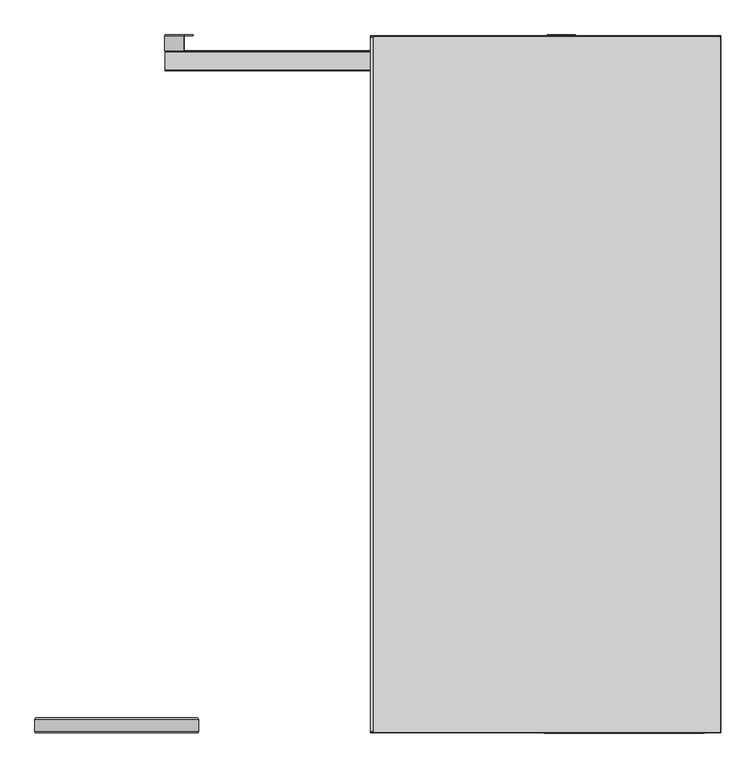
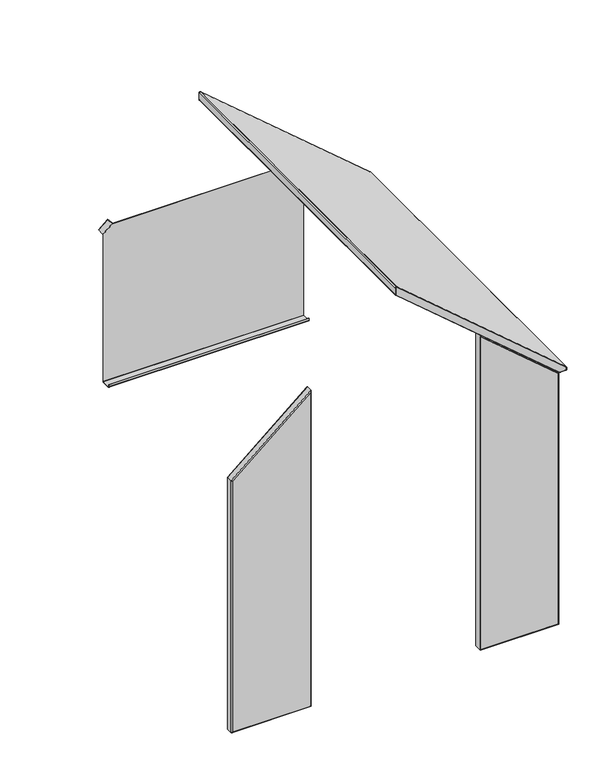
"""IFC4 building model written with IfcOpenShell, lengths in millimetres: furniture geometry."""

from ifc_helpers import new_model, si_unit, point, frame, frame_2d, origin, place, context, project, spatial, polyline, circle_curve, ellipse_curve, trimmed, segment, composite_curve, outline, extrude, source, transform, mapped, element, save
from ifc_brep_helpers import plane_surface, cylinder_surface, revolved_surface, advanced_brep


def furniture_c5998673(model_context):
    return source(origin(), model_context, "Body", "SolidModel", [
        advanced_brep(
        [(1831.5524425, -1833.64016, 1456.7960191), (1835.5211925, -1829.67141, 1458.6340644), (1835.5211925, -1829.67141, 3.96875), (1831.5524425, -1833.64016, 7.9375), (1831.5524425, -1866.18391, 1456.7960191), (1831.5524425, -1866.18391, 7.9375), (1835.5211925, -1870.15266, 1458.6340644), (1835.5211925, -1870.15266, 3.96875), (1405.0003718, -1829.67141, 3.96875), (1408.9691218, -1833.64016, 7.9375), (1408.9691218, -1866.18391, 7.9375), (1405.0003718, -1870.15266, 3.96875), (1405.0003718, -1829.67141, 1823.735859), (1408.9691218, -1833.64016, 1815.1664424), (1408.9691218, -1866.18391, 1815.1664424), (1405.0003718, -1870.15266, 1823.735859)],
        [
            (0, 1, ellipse_curve(frame((1835.5211925, -1833.64016, 1458.6340644), z_axis=(0.4202480388981601, 0.0, -0.9074092713887435), x_axis=(0.9074092713887433, 0.0, 0.42024803889816065)), 4.3737155, 3.96875)),
            (1, 2),
            (2, 3, ellipse_curve(frame((1835.5211925, -1833.64016, 3.96875), z_axis=(0.7071067811865481, 0.0, 0.7071067811865469), x_axis=(-0.7071067811865469, 0.0, 0.707106781186548)), 5.6126601, 3.96875)),
            (3, 0),
            (4, 0),
            (3, 5),
            (5, 4),
            (6, 4, ellipse_curve(frame((1835.5211925, -1866.18391, 1458.6340644), z_axis=(0.4202480388981601, 0.0, -0.9074092713887435), x_axis=(0.9074092713887433, 0.0, 0.42024803889816065)), 4.3737155, 3.96875)),
            (5, 7, ellipse_curve(frame((1835.5211925, -1866.18391, 3.96875), z_axis=(0.7071067811865481, 0.0, 0.7071067811865469), x_axis=(-0.7071067811865469, 0.0, 0.707106781186548)), 5.6126601, 3.96875)),
            (7, 6),
            (1, 6),
            (7, 2),
            (2, 8),
            (8, 9, ellipse_curve(frame((1405.0003718, -1833.64016, 3.96875), z_axis=(0.7071067811865464, 0.0, -0.7071067811865487), x_axis=(0.7071067811865488, 0.0, 0.7071067811865464)), 5.6126601, 3.96875)),
            (9, 3),
            (9, 10),
            (10, 5),
            (10, 11, ellipse_curve(frame((1405.0003718, -1866.18391, 3.96875), z_axis=(0.7071067811865464, 0.0, -0.7071067811865487), x_axis=(0.7071067811865488, 0.0, 0.7071067811865464)), 5.6126601, 3.96875)),
            (11, 7),
            (11, 8),
            (8, 12),
            (12, 13, ellipse_curve(frame((1405.0003718, -1833.64016, 1823.735859), z_axis=(-0.9074092713887442, 0.0, -0.42024803889815926), x_axis=(0.4202480388981593, 0.0, -0.9074092713887438)), 9.4438275, 3.96875)),
            (13, 9),
            (13, 14),
            (14, 10),
            (14, 15, ellipse_curve(frame((1405.0003718, -1866.18391, 1823.735859), z_axis=(-0.9074092713887442, 0.0, -0.42024803889815926), x_axis=(0.4202480388981593, 0.0, -0.9074092713887438)), 9.4438275, 3.96875)),
            (15, 11),
            (15, 12),
            (12, 1),
            (0, 13),
            (4, 14),
            (6, 15),
        ],
        [
            cylinder_surface(frame((1835.5211925, -1833.64016, 1458.6340644), z_axis=(0.0, 0.0, 1.0), x_axis=(1.0, 0.0, 0.0)), 3.96875),
            plane_surface(frame((1831.5524425, -1833.64016, 1456.7960191), z_axis=(-1.0, 0.0, 0.0), x_axis=(0.0, 0.0, -1.0))),
            cylinder_surface(frame((1835.5211925, -1866.18391, 1458.6340644), z_axis=(0.0, 0.0, 1.0), x_axis=(1.0, 0.0, 0.0)), 3.96875),
            plane_surface(frame((1835.5211925, -1870.15266, 1458.6340644), z_axis=(1.0, 0.0, 0.0), x_axis=(0.0, 0.0, -1.0))),
            cylinder_surface(frame((1835.5211925, -1833.64016, 3.96875), z_axis=(1.0, 0.0, 0.0), x_axis=(0.0, 0.0, -1.0)), 3.96875),
            plane_surface(frame((1831.5524425, -1833.64016, 7.9375), z_axis=(0.0, 0.0, 1.0), x_axis=(-1.0, 0.0, 0.0))),
            cylinder_surface(frame((1835.5211925, -1866.18391, 3.96875), z_axis=(1.0, 0.0, 0.0), x_axis=(0.0, 0.0, -1.0)), 3.96875),
            plane_surface(frame((1835.5211925, -1870.15266, 3.96875), z_axis=(0.0, 0.0, -1.0), x_axis=(-1.0, 0.0, 0.0))),
            cylinder_surface(frame((1405.0003718, -1833.64016, 3.96875), z_axis=(0.0, 0.0, -1.0), x_axis=(-1.0, 0.0, 0.0)), 3.96875),
            plane_surface(frame((1408.9691218, -1833.64016, 7.9375), z_axis=(1.0, 0.0, 0.0), x_axis=(0.0, 0.0, 1.0))),
            cylinder_surface(frame((1405.0003718, -1866.18391, 3.96875), z_axis=(0.0, 0.0, -1.0), x_axis=(-1.0, 0.0, 0.0)), 3.96875),
            plane_surface(frame((1405.0003718, -1870.15266, 3.96875), z_axis=(-1.0, 0.0, 0.0), x_axis=(0.0, 0.0, 1.0))),
            cylinder_surface(frame((1405.0003718, -1833.64016, 1823.735859), z_axis=(-0.7626739335582567, 0.0, 0.6467831716044999), x_axis=(0.6467831716044999, 0.0, 0.7626739335582567)), 3.96875),
            plane_surface(frame((1408.9691218, -1833.64016, 1815.1664424), z_axis=(-0.6467831716044992, 0.0, -0.7626739335582572), x_axis=(0.7626739335582572, 0.0, -0.6467831716044992))),
            cylinder_surface(frame((1405.0003718, -1866.18391, 1823.735859), z_axis=(-0.7626739335582567, 0.0, 0.6467831716044999), x_axis=(0.6467831716044999, 0.0, 0.7626739335582567)), 3.96875),
            plane_surface(frame((1405.0003718, -1870.15266, 1823.735859), z_axis=(0.6467831716044995, 0.0, 0.7626739335582571), x_axis=(0.7626739335582571, 0.0, -0.6467831716044995))),
        ],
        [
            (0, [[1, 2, 3, 4]]),
            (1, [[5, -4, 6, 7]]),
            (2, [[8, -7, 9, 10]]),
            (3, [[11, -10, 12, -2]]),
            (4, [[-3, 13, 14, 15]]),
            (5, [[-6, -15, 16, 17]]),
            (6, [[-9, -17, 18, 19]]),
            (7, [[-12, -19, 20, -13]]),
            (8, [[-14, 21, 22, 23]]),
            (9, [[-16, -23, 24, 25]]),
            (10, [[-18, -25, 26, 27]]),
            (11, [[-20, -27, 28, -21]]),
            (12, [[-22, 29, -1, 30]]),
            (13, [[-24, -30, -5, 31]]),
            (14, [[-26, -31, -8, 32]]),
            (15, [[-28, -32, -11, -29]]),
        ],
    ),
        extrude(outline(polyline([(3.96875, 1405.0003718), (3.96875, 1835.5211925), (1458.6340644, 1835.5211925), (1823.735859, 1405.0003718), (3.96875, 1405.0003718)])), frame((0.0, -1870.15266, 0.0), z_axis=(0.0, 1.0, 0.0), x_axis=(0.0, 0.0, 1.0)), (0.0, 0.0, 1.0), 40.48125),
        advanced_brep(
        [(40.5104329, -1833.64016, 1460.4721098), (44.4791829, -1829.67141, 1458.6340644), (44.4791829, -1829.67141, 3.96875), (40.5104329, -1833.64016, 0.0), (40.5104329, -1866.18391, 0.0), (40.5104329, -1866.18391, 1460.4721098), (44.4791829, -1870.15266, 3.96875), (44.4791829, -1870.15266, 1458.6340644), (475.0000036, -1829.67141, 3.96875), (478.9687536, -1833.64016, 0.0), (478.9687536, -1866.18391, 0.0), (475.0000036, -1870.15266, 3.96875), (475.0000036, -1829.67141, 1823.735859), (478.9687536, -1833.64016, 1832.3052757), (478.9687536, -1866.18391, 1832.3052757), (475.0000036, -1870.15266, 1823.735859)],
        [
            (0, 1, ellipse_curve(frame((44.4791829, -1833.64016, 1458.6340644), z_axis=(-0.42024803889816337, 0.0, -0.907409271388742), x_axis=(-0.907409271388742, 0.0, 0.42024803889816376)), 4.3737155, 3.96875)),
            (1, 2),
            (2, 3, ellipse_curve(frame((44.4791829, -1833.64016, 3.96875), z_axis=(-0.7071067811865452, 0.0, 0.7071067811865497), x_axis=(0.7071067811865496, 0.0, 0.7071067811865456)), 5.6126601, 3.96875)),
            (3, 0),
            (3, 4),
            (4, 5),
            (5, 0),
            (4, 6, ellipse_curve(frame((44.4791829, -1866.18391, 3.96875), z_axis=(-0.7071067811865452, 0.0, 0.7071067811865497), x_axis=(0.7071067811865496, 0.0, 0.7071067811865456)), 5.6126601, 3.96875)),
            (6, 7),
            (7, 5, ellipse_curve(frame((44.4791829, -1866.18391, 1458.6340644), z_axis=(-0.42024803889816337, 0.0, -0.907409271388742), x_axis=(-0.907409271388742, 0.0, 0.42024803889816376)), 4.3737155, 3.96875)),
            (2, 8),
            (8, 9, ellipse_curve(frame((475.0000036, -1833.64016, 3.96875), z_axis=(-0.7071067811865491, 0.0, -0.7071067811865458), x_axis=(-0.707106781186546, 0.0, 0.7071067811865489)), 5.6126601, 3.96875)),
            (9, 3),
            (9, 10),
            (10, 4),
            (10, 11, ellipse_curve(frame((475.0000036, -1866.18391, 3.96875), z_axis=(-0.7071067811865491, 0.0, -0.7071067811865458), x_axis=(-0.707106781186546, 0.0, 0.7071067811865489)), 5.6126601, 3.96875)),
            (11, 6),
            (8, 12),
            (12, 13, ellipse_curve(frame((475.0000036, -1833.64016, 1823.735859), z_axis=(0.9074092713887425, 0.0, -0.4202480388981626), x_axis=(-0.42024803889816265, 0.0, -0.9074092713887425)), 9.4438275, 3.96875)),
            (13, 9),
            (13, 14),
            (14, 10),
            (14, 15, ellipse_curve(frame((475.0000036, -1866.18391, 1823.735859), z_axis=(0.9074092713887425, 0.0, -0.4202480388981626), x_axis=(-0.42024803889816265, 0.0, -0.9074092713887425)), 9.4438275, 3.96875)),
            (15, 11),
            (0, 13),
            (12, 1),
            (5, 14),
            (7, 15),
        ],
        [
            cylinder_surface(frame((44.4791829, -1833.64016, 1458.6340644), z_axis=(0.0, 0.0, 1.0), x_axis=(1.0, 0.0, 0.0)), 3.96875),
            plane_surface(frame((40.5104329, -1833.64016, 1460.4721098), z_axis=(-1.0, 0.0, 0.0), x_axis=(0.0, 0.0, -1.0))),
            cylinder_surface(frame((44.4791829, -1866.18391, 1458.6340644), z_axis=(0.0, 0.0, 1.0), x_axis=(1.0, 0.0, 0.0)), 3.96875),
            cylinder_surface(frame((44.4791829, -1833.64016, 3.96875), z_axis=(-1.0, 0.0, 0.0), x_axis=(0.0, 0.0, 1.0)), 3.96875),
            plane_surface(frame((40.5104329, -1833.64016, 0.0), z_axis=(0.0, 0.0, -1.0), x_axis=(1.0, 0.0, 0.0))),
            cylinder_surface(frame((44.4791829, -1866.18391, 3.96875), z_axis=(-1.0, 0.0, 0.0), x_axis=(0.0, 0.0, 1.0)), 3.96875),
            cylinder_surface(frame((475.0000036, -1833.64016, 3.96875), z_axis=(0.0, 0.0, -1.0), x_axis=(-1.0, 0.0, 0.0)), 3.96875),
            plane_surface(frame((478.9687536, -1833.64016, 0.0), z_axis=(1.0, 0.0, 0.0), x_axis=(0.0, 0.0, 1.0))),
            cylinder_surface(frame((475.0000036, -1866.18391, 3.96875), z_axis=(0.0, 0.0, -1.0), x_axis=(-1.0, 0.0, 0.0)), 3.96875),
            cylinder_surface(frame((475.0000036, -1833.64016, 1823.735859), z_axis=(0.762673933558259, 0.0, 0.646783171604497), x_axis=(0.646783171604497, 0.0, -0.762673933558259)), 3.96875),
            plane_surface(frame((478.9687536, -1833.64016, 1832.3052757), z_axis=(-0.646783171604497, 0.0, 0.7626739335582591), x_axis=(-0.7626739335582591, 0.0, -0.646783171604497))),
            cylinder_surface(frame((475.0000036, -1866.18391, 1823.735859), z_axis=(0.762673933558259, 0.0, 0.646783171604497), x_axis=(0.646783171604497, 0.0, -0.762673933558259)), 3.96875),
            plane_surface(frame((475.0000036, -1870.15266, 1819.151025), z_axis=(0.0, -1.0, 0.0), x_axis=(0.0, 0.0, 1.0))),
            plane_surface(frame((475.0000036, -1829.67141, 1819.151025), z_axis=(0.0, 1.0, 0.0), x_axis=(0.0, 0.0, -1.0))),
        ],
        [
            (0, [[1, 2, 3, 4]]),
            (1, [[-4, 5, 6, 7]]),
            (2, [[-6, 8, 9, 10]]),
            (3, [[-3, 11, 12, 13]]),
            (4, [[-5, -13, 14, 15]]),
            (5, [[-8, -15, 16, 17]]),
            (6, [[-12, 18, 19, 20]]),
            (7, [[-14, -20, 21, 22]]),
            (8, [[-16, -22, 23, 24]]),
            (9, [[-1, 25, -19, 26]]),
            (10, [[-7, 27, -21, -25]]),
            (11, [[-10, 28, -23, -27]]),
            (12, [[-9, -17, -24, -28]]),
            (13, [[-2, -26, -18, -11]]),
        ],
    ),
        extrude(outline(composite_curve([segment(polyline([(-36.4707599, 0.0), (3.678289, 0.0), (3.678289, -1.4997449), (-37.4999996, -1.4997449), (-37.4999996, -40.0002693), (-38.9999996, -40.0002693), (-38.9999996, -2.5292398)]), True, "CONTINUOUS"), segment(trimmed(circle_curve(frame_2d((-36.4707599, -2.5292398)), 2.5292397), [point((-38.9999996, -2.5292398))], [point((-36.4707599, 0.0))], False, "CARTESIAN"), True, "CONTINUOUS")], self_intersect=False)), frame((1490.9670326, -38.9999996, 1663.236993), z_axis=(-0.7626676388941575, 0.0, 0.6467905940747832), x_axis=(0.0, -1.0, 0.0)), (0.0, 0.0, 1.0), 65.5591678),
        advanced_brep(
        [(1490.0000404, -95.6782875, 821.5000019), (1490.0000404, -95.6782875, 809.0011499), (1490.0000404, -93.177183, 806.5000454), (1490.0000404, -45.1482143, 806.5000454), (1490.0000404, -42.6782886, 808.9699711), (1490.0000404, -42.6782886, 1662.0972421), (1490.0000404, -44.178285, 1662.0972421), (1490.0000404, -44.178285, 808.9990848), (1490.0000404, -45.1791015, 808.0000265), (1490.0000404, -93.2107923, 808.0000265), (1490.0000404, -94.1782792, 808.9675133), (1490.0000404, -94.1782792, 821.5000019), (390.000335, -95.6782875, 821.5000019), (390.000335, -94.1782792, 821.5000019), (390.000335, -94.1782792, 808.9675133), (390.000335, -93.2107923, 808.0000265), (390.000335, -45.1791015, 808.0000265), (390.000335, -44.178285, 808.9990848), (390.000335, -44.178285, 1662.0972421), (390.000335, -42.6782886, 1662.0972421), (390.000335, -42.6782886, 808.9699711), (390.000335, -45.1482143, 806.5000454), (390.000335, -93.177183, 806.5000454), (390.000335, -95.6782875, 809.0011499), (442.8367114, -42.6782886, 1706.4322261), (1437.163664, -42.6782886, 1706.4322261), (1437.163664, -44.178285, 1706.4322261), (442.8367114, -44.178285, 1706.4322261)],
        [
            (0, 1),
            (1, 2, circle_curve(frame((1490.0000404, -93.177183, 809.0011499), z_axis=(1.0, 0.0, 0.0), x_axis=(0.0, -1.0, 0.0)), 2.5011045)),
            (2, 3),
            (3, 4, circle_curve(frame((1490.0000404, -45.1482143, 808.9699711), z_axis=(1.0, 0.0, 0.0), x_axis=(0.0, -1.0, 0.0)), 2.4699257)),
            (4, 5),
            (5, 6),
            (6, 7),
            (7, 8, circle_curve(frame((1490.0000404, -45.1791015, 809.0008445), z_axis=(-1.0, 0.0, 0.0), x_axis=(0.0, -1.0, 0.0)), 1.000818)),
            (8, 9),
            (9, 10, circle_curve(frame((1490.0000404, -93.2107923, 808.9675133), z_axis=(-1.0, 0.0, 0.0), x_axis=(0.0, -1.0, 0.0)), 0.9674868)),
            (10, 11),
            (11, 0),
            (12, 13),
            (13, 14),
            (14, 15, circle_curve(frame((390.000335, -93.2107923, 808.9675133), z_axis=(1.0, 0.0, 0.0), x_axis=(0.0, -1.0, 0.0)), 0.9674868)),
            (15, 16),
            (16, 17, circle_curve(frame((390.000335, -45.1791015, 809.0008445), z_axis=(1.0, 0.0, 0.0), x_axis=(0.0, -1.0, 0.0)), 1.000818)),
            (17, 18),
            (18, 19),
            (19, 20),
            (20, 21, circle_curve(frame((390.000335, -45.1482143, 808.9699711), z_axis=(-1.0, 0.0, 0.0), x_axis=(0.0, -1.0, 0.0)), 2.4699257)),
            (21, 22),
            (22, 23, circle_curve(frame((390.000335, -93.177183, 809.0011499), z_axis=(-1.0, 0.0, 0.0), x_axis=(0.0, -1.0, 0.0)), 2.5011045)),
            (23, 12),
            (0, 12),
            (23, 1),
            (22, 2),
            (21, 3),
            (20, 4),
            (19, 24),
            (24, 25),
            (25, 5),
            (6, 26),
            (26, 27),
            (27, 18),
            (17, 7),
            (16, 8),
            (15, 9),
            (14, 10),
            (13, 11),
            (25, 26),
            (24, 27),
        ],
        [
            plane_surface(frame((1490.0000404, -95.6782875, 821.5000019), z_axis=(1.0, 0.0, 0.0), x_axis=(0.0, 0.0, -1.0))),
            plane_surface(frame((390.000335, -95.6782875, 821.5000019), z_axis=(-1.0, 0.0, 0.0), x_axis=(0.0, 0.0, 1.0))),
            plane_surface(frame((1490.0000404, -95.6782875, 821.5000019), z_axis=(0.0, -1.0, 0.0), x_axis=(-1.0, 0.0, 0.0))),
            cylinder_surface(frame((390.000335, -93.177183, 809.0011499), z_axis=(1.0, 0.0, 0.0), x_axis=(0.0, -1.0, 0.0)), 2.5011045),
            plane_surface(frame((1490.0000404, -93.177183, 806.5000454), z_axis=(0.0, 0.0, -1.0), x_axis=(-1.0, 0.0, 0.0))),
            cylinder_surface(frame((390.000335, -45.1482143, 808.9699711), z_axis=(1.0, 0.0, 0.0), x_axis=(0.0, -1.0, 0.0)), 2.4699257),
            plane_surface(frame((1490.0000404, -42.6782886, 808.9699711), z_axis=(0.0, 1.0, 0.0), x_axis=(-1.0, 0.0, 0.0))),
            plane_surface(frame((1490.0000404, -44.178285, 1582.3692085), z_axis=(0.0, -1.0, 0.0), x_axis=(-1.0, 0.0, 0.0))),
            revolved_surface(polyline([(390.000335, -46.179919500000004, 809.0008445), (1490.0000404, -46.179919500000004, 809.0008445)]), (390.000335, -45.1791015, 809.0008445), (-1.0, 0.0, 0.0)),
            plane_surface(frame((1490.0000404, -45.1791015, 808.0000265), z_axis=(0.0, 0.0, 1.0), x_axis=(-1.0, 0.0, 0.0))),
            revolved_surface(polyline([(390.000335, -94.1782791, 808.9675133), (1490.0000404, -94.1782791, 808.9675133)]), (390.000335, -93.2107923, 808.9675133), (-1.0, 0.0, 0.0)),
            plane_surface(frame((1490.0000404, -94.1782792, 808.9675133), z_axis=(0.0, 1.0, 0.0), x_axis=(-1.0, 0.0, 0.0))),
            plane_surface(frame((1490.0000404, -94.1782792, 821.5000019), z_axis=(0.0, 0.0, 1.0), x_axis=(-1.0, 0.0, 0.0))),
            plane_surface(frame((1490.0000404, -44.178285, 1662.0972421), z_axis=(0.6427876096865427, 0.0, 0.7660444431189752), x_axis=(0.0, 1.0, 0.0))),
            plane_surface(frame((1437.163664, -44.178285, 1706.4322261), z_axis=(0.0, 0.0, 1.0), x_axis=(0.0, 1.0, 0.0))),
            plane_surface(frame((442.8367114, -44.178285, 1706.4322261), z_axis=(-0.642787609686538, 0.0, 0.7660444431189791), x_axis=(0.0, 1.0, 0.0))),
        ],
        [
            (0, [[1, 2, 3, 4, 5, 6, 7, 8, 9, 10, 11, 12]]),
            (1, [[13, 14, 15, 16, 17, 18, 19, 20, 21, 22, 23, 24]]),
            (2, [[-1, 25, -24, 26]]),
            (3, [[-2, -26, -23, 27]]),
            (4, [[-3, -27, -22, 28]]),
            (5, [[-4, -28, -21, 29]]),
            (6, [[-5, -29, -20, 30, 31, 32]]),
            (7, [[-7, 33, 34, 35, -18, 36]]),
            (8, [[-8, -36, -17, 37]]),
            (9, [[-9, -37, -16, 38]]),
            (10, [[-10, -38, -15, 39]]),
            (11, [[-11, -39, -14, 40]]),
            (12, [[-12, -40, -13, -25]]),
            (13, [[-33, -6, -32, 41]]),
            (14, [[-34, -41, -31, 42]]),
            (15, [[-35, -42, -30, -19]]),
        ],
    ),
        extrude(outline(composite_curve([segment(trimmed(circle_curve(frame_2d((-1e-07, -2.5292397)), 2.5292397), [point((-0.8879249, -4.8974971))], [point((-2.3682574, -1.6413149))], False, "CARTESIAN"), True, "CONTINUOUS"), segment(polyline([(-2.3682574, -1.6413149), (10.7864699, 33.4447394), (12.1909971, 32.9181435), (-1.3251487, -3.1318798), (37.2322031, -17.5880921), (36.7056967, -18.9923805), (-0.8879249, -4.8974971)]), True, "CONTINUOUS")], self_intersect=False)), frame((392.2009979, -1.6413149, 1659.5018304), z_axis=(0.7626676388941576, 0.0, 0.6467905940747832), x_axis=(0.22706485489941639, -0.9363514881670969, -0.26774510691471115)), (0.0, 0.0, 1.0), 65.5591678),
        advanced_brep(
        [(1876.9546715, -2.2152498, 1478.4500314), (1877.9745516, -2.2152498, 1476.2476814), (1877.9745516, -2.2152498, 1463.9687321), (1876.0316254, -2.2152498, 1462.0258058), (1842.2267924, -2.2152498, 1462.0258058), (1839.6136683, -2.2152498, 1462.9847503), (943.2808232, -2.2152498, 2223.2240894), (942.026163, -2.2152498, 2225.9334278), (942.026163, -2.2152498, 2264.8850275), (947.0138488, -2.2152498, 2267.1947612), (1880.0003754, -4.2410736, 1476.2476814), (1878.2650479, -4.2410736, 1479.994983), (1878.2650479, -6.1839998, 1479.994983), (1880.0003754, -6.1839998, 1476.2476814), (1880.0003754, -1866.18391, 1476.2476814), (1880.0003754, -1868.1268362, 1476.2476814), (1880.0003754, -1868.1268362, 1463.9687321), (1880.0003754, -1866.18391, 1463.9687321), (1880.0003754, -6.1839998, 1463.9687321), (1880.0003754, -4.2410736, 1463.9687321), (1876.0316254, -6.1839998, 1459.9999821), (1876.0316254, -4.2410736, 1459.9999821), (1876.0316254, -1866.18391, 1459.9999821), (1876.0316254, -1868.1268362, 1459.9999821), (1842.2267924, -1868.1268362, 1459.9999821), (1842.2267924, -1866.18391, 1459.9999821), (1842.2267924, -6.1839998, 1459.9999821), (1842.2267924, -4.2410736, 1459.9999821), (1838.3032921, -6.1839998, 1461.4397984), (1838.3032921, -4.2410736, 1461.4397984), (1838.3032921, -1866.18391, 1461.4397984), (1838.3032921, -1868.1268362, 1461.4397984), (941.970447, -1868.1268362, 2221.6791375), (941.970447, -1866.18391, 2221.6791375), (941.970447, -6.1839998, 2221.6791375), (941.970447, -4.2410736, 2221.6791375), (940.0003392, -6.1839998, 2225.9334278), (940.0003392, -4.2410736, 2225.9334278), (940.0003392, -1866.18391, 2225.9334278), (940.0003392, -1868.1268362, 2225.9334278), (940.0003392, -1868.1268362, 2264.8850275), (940.0003392, -1866.18391, 2264.8850275), (940.0003392, -6.1839998, 2264.8850275), (940.0003392, -4.2410736, 2264.8850275), (948.3242252, -6.1839998, 2268.7397128), (948.3242252, -4.2410736, 2268.7397128), (948.3242252, -1866.18391, 2268.7397128), (948.3242252, -1868.1268362, 2268.7397128), (1878.2650479, -1868.1268362, 1479.994983), (1878.2650479, -1866.18391, 1479.994983), (1876.9546715, -1870.15266, 1478.4500314), (1877.9745516, -1870.15266, 1476.2476814), (1877.9745516, -1870.15266, 1463.9687321), (1876.0316254, -1870.15266, 1462.0258058), (1842.2267924, -1870.15266, 1462.0258058), (1839.6136683, -1870.15266, 1462.9847503), (943.2808232, -1870.15266, 2223.2240894), (942.026163, -1870.15266, 2225.9334278), (942.026163, -1870.15266, 2264.8850275), (947.0138488, -1870.15266, 2267.1947612)],
        [
            (0, 1, circle_curve(frame((1875.0867119, -2.2152498, 1476.2476814), z_axis=(0.0, 1.0, 0.0), x_axis=(0.6468363156287517, 0.0, 0.7626288617563736)), 2.8878397)),
            (1, 2),
            (2, 3, circle_curve(frame((1876.0316254, -2.2152498, 1463.9687321), z_axis=(0.0, 1.0, 0.0), x_axis=(1.0, 0.0, 0.0)), 1.9429262)),
            (3, 4),
            (4, 5, circle_curve(frame((1842.2267924, -2.2152498, 1466.0656603), z_axis=(0.0, 1.0, 0.0), x_axis=(0.0, 0.0, -1.0)), 4.0398545)),
            (5, 6),
            (6, 7, circle_curve(frame((945.5787928, -2.2152498, 2225.9334278), z_axis=(0.0, 1.0, 0.0), x_axis=(-0.6468362032030742, 0.0, -0.762628957112062)), 3.5526298)),
            (7, 8),
            (8, 9, circle_curve(frame((945.05481, -2.2152498, 2264.8850275), z_axis=(0.0, 1.0, 0.0), x_axis=(-1.0, 0.0, 0.0)), 3.028647)),
            (9, 0),
            (10, 11, circle_curve(frame((1875.0867119, -4.2410736, 1476.2476814), z_axis=(0.0, -1.0, 0.0), x_axis=(0.6468363156287517, 0.0, 0.7626288617563736)), 4.9136635)),
            (11, 12),
            (12, 13, circle_curve(frame((1875.0867119, -6.1839998, 1476.2476814), z_axis=(0.0, 1.0, 0.0), x_axis=(0.6468363156287517, 0.0, 0.7626288617563736)), 4.9136635)),
            (13, 10),
            (10, 1, circle_curve(frame((1877.9745516, -4.2410736, 1476.2476814), z_axis=(0.0, 0.0, 1.0), x_axis=(-1.0, 0.0, 0.0)), 2.0258238)),
            (0, 11, circle_curve(frame((1876.9546715, -4.2410736, 1478.4500314), z_axis=(0.7626288617563735, 0.0, -0.6468363156287518), x_axis=(-0.6468363156287518, 0.0, -0.7626288617563735)), 2.0258238)),
            (13, 14),
            (14, 15),
            (15, 16),
            (16, 17),
            (17, 18),
            (18, 19),
            (19, 10),
            (19, 2, circle_curve(frame((1877.9745516, -4.2410736, 1463.9687321), z_axis=(0.0, 0.0, 1.0), x_axis=(-1.0, 0.0, 0.0)), 2.0258238)),
            (18, 20, circle_curve(frame((1876.0316254, -6.1839998, 1463.9687321), z_axis=(0.0, 1.0, 0.0), x_axis=(1.0, 0.0, 0.0)), 3.96875)),
            (20, 21),
            (21, 19, circle_curve(frame((1876.0316254, -4.2410736, 1463.9687321), z_axis=(0.0, -1.0, 0.0), x_axis=(1.0, 0.0, 0.0)), 3.96875)),
            (21, 3, circle_curve(frame((1876.0316254, -4.2410736, 1462.0258058), z_axis=(1.0, 0.0, 0.0), x_axis=(0.0, 0.0, 1.0)), 2.0258238)),
            (20, 22),
            (22, 23),
            (23, 24),
            (24, 25),
            (25, 26),
            (26, 27),
            (27, 21),
            (27, 4, circle_curve(frame((1842.2267924, -4.2410736, 1462.0258058), z_axis=(1.0, 0.0, 0.0), x_axis=(0.0, 0.0, 1.0)), 2.0258238)),
            (26, 28, circle_curve(frame((1842.2267924, -6.1839998, 1466.0656603), z_axis=(0.0, 1.0, 0.0), x_axis=(0.0, 0.0, -1.0)), 6.0656783)),
            (28, 29),
            (29, 27, circle_curve(frame((1842.2267924, -4.2410736, 1466.0656603), z_axis=(0.0, -1.0, 0.0), x_axis=(0.0, 0.0, -1.0)), 6.0656783)),
            (29, 5, circle_curve(frame((1839.6136683, -4.2410736, 1462.9847503), z_axis=(0.7626289571120105, 0.0, -0.6468362032031348), x_axis=(0.6468362032031348, 0.0, 0.7626289571120105)), 2.0258238)),
            (28, 30),
            (30, 31),
            (31, 32),
            (32, 33),
            (33, 34),
            (34, 35),
            (35, 29),
            (35, 6, circle_curve(frame((943.2808232, -4.2410736, 2223.2240894), z_axis=(0.7626289571120237, 0.0, -0.6468362032031195), x_axis=(0.6468362032031195, 0.0, 0.7626289571120237)), 2.0258238)),
            (34, 36, circle_curve(frame((945.5787928, -6.1839998, 2225.9334278), z_axis=(0.0, 1.0, 0.0), x_axis=(-0.6468362032030742, 0.0, -0.762628957112062)), 5.5784536)),
            (36, 37),
            (37, 35, circle_curve(frame((945.5787928, -4.2410736, 2225.9334278), z_axis=(0.0, -1.0, 0.0), x_axis=(-0.6468362032030742, 0.0, -0.762628957112062)), 5.5784536)),
            (37, 7, circle_curve(frame((942.026163, -4.2410736, 2225.9334278), z_axis=(0.0, 0.0, -1.0), x_axis=(1.0, 0.0, 0.0)), 2.0258238)),
            (36, 38),
            (38, 39),
            (39, 40),
            (40, 41),
            (41, 42),
            (42, 43),
            (43, 37),
            (43, 8, circle_curve(frame((942.026163, -4.2410736, 2264.8850275), z_axis=(0.0, 0.0, -1.0), x_axis=(1.0, 0.0, 0.0)), 2.0258238)),
            (42, 44, circle_curve(frame((945.05481, -6.1839998, 2264.8850275), z_axis=(0.0, 1.0, 0.0), x_axis=(-1.0, 0.0, 0.0)), 5.0544708)),
            (44, 45),
            (45, 43, circle_curve(frame((945.05481, -4.2410736, 2264.8850275), z_axis=(0.0, -1.0, 0.0), x_axis=(-1.0, 0.0, 0.0)), 5.0544708)),
            (45, 9, circle_curve(frame((947.0138488, -4.2410736, 2267.1947612), z_axis=(-0.762628861756393, 0.0, 0.6468363156287287), x_axis=(-0.6468363156287287, 0.0, -0.762628861756393)), 2.0258238)),
            (11, 45),
            (44, 46),
            (46, 47),
            (47, 48),
            (48, 49),
            (49, 12),
            (17, 22, circle_curve(frame((1876.0316254, -1866.18391, 1463.9687321), z_axis=(0.0, 1.0, 0.0), x_axis=(-1.0, 0.0, 0.0)), 3.96875)),
            (25, 30, circle_curve(frame((1842.2267924, -1866.18391, 1466.0656603), z_axis=(0.0, 1.0, 0.0), x_axis=(-1.0, 0.0, 0.0)), 6.0656783)),
            (33, 38, circle_curve(frame((945.5787928, -1866.18391, 2225.9334278), z_axis=(0.0, 1.0, 0.0), x_axis=(-1.0, 0.0, 0.0)), 5.5784536)),
            (41, 46, circle_curve(frame((945.05481, -1866.18391, 2264.8850275), z_axis=(0.0, 1.0, 0.0), x_axis=(-1.0, 0.0, 0.0)), 5.0544708)),
            (49, 14, circle_curve(frame((1875.0867119, -1866.18391, 1476.2476814), z_axis=(0.0, 1.0, 0.0), x_axis=(-1.0, 0.0, 0.0)), 4.9136635)),
            (48, 15, circle_curve(frame((1875.0867119, -1868.1268362, 1476.2476814), z_axis=(0.0, 1.0, 0.0), x_axis=(0.6468363156287517, 0.0, 0.7626288617563736)), 4.9136635)),
            (48, 50, circle_curve(frame((1876.9546715, -1868.1268362, 1478.4500314), z_axis=(0.7626288617563735, 0.0, -0.6468363156287518), x_axis=(-0.6468363156287518, 0.0, -0.7626288617563735)), 2.0258238)),
            (50, 51, circle_curve(frame((1875.0867119, -1870.15266, 1476.2476814), z_axis=(0.0, 1.0, 0.0), x_axis=(0.6468363156287517, 0.0, 0.7626288617563736)), 2.8878397)),
            (51, 15, circle_curve(frame((1877.9745516, -1868.1268362, 1476.2476814), z_axis=(0.0, 0.0, 1.0), x_axis=(-1.0, 0.0, 0.0)), 2.0258238)),
            (51, 52),
            (52, 16, circle_curve(frame((1877.9745516, -1868.1268362, 1463.9687321), z_axis=(0.0, 0.0, 1.0), x_axis=(-1.0, 0.0, 0.0)), 2.0258238)),
            (16, 23, circle_curve(frame((1876.0316254, -1868.1268362, 1463.9687321), z_axis=(0.0, 1.0, 0.0), x_axis=(1.0, 0.0, 0.0)), 3.96875)),
            (52, 53, circle_curve(frame((1876.0316254, -1870.15266, 1463.9687321), z_axis=(0.0, 1.0, 0.0), x_axis=(1.0, 0.0, 0.0)), 1.9429262)),
            (53, 23, circle_curve(frame((1876.0316254, -1868.1268362, 1462.0258058), z_axis=(1.0, 0.0, 0.0), x_axis=(0.0, 0.0, 1.0)), 2.0258238)),
            (53, 54),
            (54, 24, circle_curve(frame((1842.2267924, -1868.1268362, 1462.0258058), z_axis=(1.0, 0.0, 0.0), x_axis=(0.0, 0.0, 1.0)), 2.0258238)),
            (24, 31, circle_curve(frame((1842.2267924, -1868.1268362, 1466.0656603), z_axis=(0.0, 1.0, 0.0), x_axis=(0.0, 0.0, -1.0)), 6.0656783)),
            (54, 55, circle_curve(frame((1842.2267924, -1870.15266, 1466.0656603), z_axis=(0.0, 1.0, 0.0), x_axis=(0.0, 0.0, -1.0)), 4.0398545)),
            (55, 31, circle_curve(frame((1839.6136683, -1868.1268362, 1462.9847503), z_axis=(0.7626289571119792, 0.0, -0.6468362032031717), x_axis=(0.6468362032031717, 0.0, 0.7626289571119792)), 2.0258238)),
            (55, 56),
            (56, 32, circle_curve(frame((943.2808232, -1868.1268362, 2223.2240894), z_axis=(0.7626289571120237, 0.0, -0.6468362032031195), x_axis=(0.6468362032031195, 0.0, 0.7626289571120237)), 2.0258238)),
            (32, 39, circle_curve(frame((945.5787928, -1868.1268362, 2225.9334278), z_axis=(0.0, 1.0, 0.0), x_axis=(-0.6468362032030742, 0.0, -0.762628957112062)), 5.5784536)),
            (56, 57, circle_curve(frame((945.5787928, -1870.15266, 2225.9334278), z_axis=(0.0, 1.0, 0.0), x_axis=(-0.6468362032030742, 0.0, -0.762628957112062)), 3.5526298)),
            (57, 39, circle_curve(frame((942.026163, -1868.1268362, 2225.9334278), z_axis=(0.0, 0.0, -1.0), x_axis=(1.0, 0.0, 0.0)), 2.0258238)),
            (57, 58),
            (58, 40, circle_curve(frame((942.026163, -1868.1268362, 2264.8850275), z_axis=(0.0, 0.0, -1.0), x_axis=(1.0, 0.0, 0.0)), 2.0258238)),
            (40, 47, circle_curve(frame((945.05481, -1868.1268362, 2264.8850275), z_axis=(0.0, 1.0, 0.0), x_axis=(-1.0, 0.0, 0.0)), 5.0544708)),
            (58, 59, circle_curve(frame((945.05481, -1870.15266, 2264.8850275), z_axis=(0.0, 1.0, 0.0), x_axis=(-1.0, 0.0, 0.0)), 3.028647)),
            (59, 47, circle_curve(frame((947.0138488, -1868.1268362, 2267.1947612), z_axis=(-0.762628861756381, 0.0, 0.6468363156287429), x_axis=(-0.6468363156287429, 0.0, -0.762628861756381)), 2.0258238)),
            (59, 50),
        ],
        [
            plane_surface(frame((944.152703, -2.2152498, 2224.2520479), z_axis=(0.0, 1.0, 0.0), x_axis=(-0.7626289571120299, 0.0, 0.6468362032031121))),
            cylinder_surface(frame((1875.0867119, -6.1839998, 1476.2476814), z_axis=(0.0, 1.0, 0.0), x_axis=(0.6468363156287517, 0.0, 0.7626288617563736)), 4.9136635),
            revolved_surface(trimmed(ellipse_curve(frame((1876.9546715, -4.2410736, 1478.4500314), z_axis=(-0.7626288617563735, 0.0, 0.6468363156287518), x_axis=(-0.6468363156287518, 0.0, -0.7626288617563735)), 2.0258238, 2.0258238), [point((1878.2650479, -4.2410736, 1479.994983))], [point((1876.9546715, -2.2152498, 1478.4500314))], True, "CARTESIAN"), (1875.0867119, -6.1839998, 1476.2476814), (0.0, 1.0, 0.0)),
            plane_surface(frame((1880.0003754, -6.1839998, 1476.2476814), z_axis=(1.0, 0.0, 0.0), x_axis=(0.0, 0.0, -1.0))),
            cylinder_surface(frame((1877.9745516, -4.2410736, 1476.2476814), z_axis=(0.0, 0.0, 1.0), x_axis=(-1.0, 0.0, 0.0)), 2.0258238),
            cylinder_surface(frame((1876.0316254, -6.1839998, 1463.9687321), z_axis=(0.0, 1.0, 0.0), x_axis=(1.0, 0.0, 0.0)), 3.96875),
            revolved_surface(trimmed(ellipse_curve(frame((1877.9745516, -4.2410736, 1463.9687321), z_axis=(0.0, 0.0, 1.0), x_axis=(-1.0, 0.0, 0.0)), 2.0258238, 2.0258238), [point((1880.0003754, -4.2410736, 1463.9687321))], [point((1877.9745516, -2.2152498, 1463.9687321))], True, "CARTESIAN"), (1876.0316254, -6.1839998, 1463.9687321), (0.0, 1.0, 0.0)),
            plane_surface(frame((1876.0316254, -6.1839998, 1459.9999821), z_axis=(0.0, 0.0, -1.0), x_axis=(-1.0, 0.0, 0.0))),
            cylinder_surface(frame((1876.0316254, -4.2410736, 1462.0258058), z_axis=(1.0, 0.0, 0.0), x_axis=(0.0, 0.0, 1.0)), 2.0258238),
            cylinder_surface(frame((1842.2267924, -6.1839998, 1466.0656603), z_axis=(0.0, 1.0, 0.0), x_axis=(0.0, 0.0, -1.0)), 6.0656783),
            revolved_surface(trimmed(ellipse_curve(frame((1842.2267924, -4.2410736, 1462.0258058), z_axis=(1.0, 0.0, 0.0), x_axis=(0.0, 0.0, 1.0)), 2.0258238, 2.0258238), [point((1842.2267924, -4.2410736, 1459.9999821))], [point((1842.2267924, -2.2152498, 1462.0258058))], True, "CARTESIAN"), (1842.2267924, -6.1839998, 1466.0656603), (0.0, 1.0, 0.0)),
            plane_surface(frame((1838.3032921, -6.1839998, 1461.4397984), z_axis=(-0.6468362032031193, 0.0, -0.7626289571120237), x_axis=(-0.7626289571120237, 0.0, 0.6468362032031193))),
            cylinder_surface(frame((1839.6136683, -4.2410736, 1462.9847503), z_axis=(0.7626289571120237, 0.0, -0.6468362032031195), x_axis=(0.6468362032031195, 0.0, 0.7626289571120237)), 2.0258238),
            cylinder_surface(frame((945.5787928, -6.1839998, 2225.9334278), z_axis=(0.0, 1.0, 0.0), x_axis=(-0.6468362032030742, 0.0, -0.762628957112062)), 5.5784536),
            revolved_surface(trimmed(ellipse_curve(frame((943.2808232, -4.2410736, 2223.2240894), z_axis=(0.7626289571120619, 0.0, -0.6468362032030743), x_axis=(0.6468362032030743, 0.0, 0.7626289571120619)), 2.0258238, 2.0258238), [point((941.970447, -4.2410736, 2221.6791375))], [point((943.2808232, -2.2152498, 2223.2240894))], True, "CARTESIAN"), (945.5787928, -6.1839998, 2225.9334278), (0.0, 1.0, 0.0)),
            plane_surface(frame((940.0003392, -6.1839998, 2225.9334278), z_axis=(-1.0, 0.0, 0.0), x_axis=(0.0, 0.0, 1.0))),
            cylinder_surface(frame((942.026163, -4.2410736, 2225.9334278), z_axis=(0.0, 0.0, -1.0), x_axis=(1.0, 0.0, 0.0)), 2.0258238),
            cylinder_surface(frame((945.05481, -6.1839998, 2264.8850275), z_axis=(0.0, 1.0, 0.0), x_axis=(-1.0, 0.0, 0.0)), 5.0544708),
            revolved_surface(trimmed(ellipse_curve(frame((942.026163, -4.2410736, 2264.8850275), z_axis=(0.0, 0.0, -1.0), x_axis=(1.0, 0.0, 0.0)), 2.0258238, 2.0258238), [point((940.0003392, -4.2410736, 2264.8850275))], [point((942.026163, -2.2152498, 2264.8850275))], True, "CARTESIAN"), (945.05481, -6.1839998, 2264.8850275), (0.0, 1.0, 0.0)),
            plane_surface(frame((948.3242252, -6.1839998, 2268.7397128), z_axis=(0.6468363156287368, 0.0, 0.7626288617563862), x_axis=(0.7626288617563862, 0.0, -0.6468363156287368))),
            cylinder_surface(frame((947.0138488, -4.2410736, 2267.1947612), z_axis=(-0.762628861756386, 0.0, 0.646836315628737), x_axis=(-0.646836315628737, 0.0, -0.762628861756386)), 2.0258238),
            cylinder_surface(frame((1876.0316254, -6.1839998, 1463.9687321), z_axis=(0.0, -1.0, 0.0), x_axis=(-1.0, 0.0, 0.0)), 3.96875),
            cylinder_surface(frame((1842.2267924, -6.1839998, 1466.0656603), z_axis=(0.0, -1.0, 0.0), x_axis=(-1.0, 0.0, 0.0)), 6.0656783),
            cylinder_surface(frame((945.5787928, -6.1839998, 2225.9334278), z_axis=(0.0, -1.0, 0.0), x_axis=(-1.0, 0.0, 0.0)), 5.5784536),
            cylinder_surface(frame((945.05481, -6.1839998, 2264.8850275), z_axis=(0.0, -1.0, 0.0), x_axis=(-1.0, 0.0, 0.0)), 5.0544708),
            cylinder_surface(frame((1875.0867119, -6.1839998, 1476.2476814), z_axis=(0.0, -1.0, 0.0), x_axis=(-1.0, 0.0, 0.0)), 4.9136635),
            cylinder_surface(frame((1875.0867119, -1866.18391, 1476.2476814), z_axis=(0.0, 1.0, 0.0), x_axis=(0.6468363156287517, 0.0, 0.7626288617563736)), 4.9136635),
            revolved_surface(trimmed(ellipse_curve(frame((1876.9546715, -1868.1268362, 1478.4500314), z_axis=(-0.7626288617563735, 0.0, 0.6468363156287518), x_axis=(-0.6468363156287518, 0.0, -0.7626288617563735)), 2.0258238, 2.0258238), [point((1876.9546715, -1870.15266, 1478.4500314))], [point((1878.2650479, -1868.1268362, 1479.994983))], True, "CARTESIAN"), (1875.0867119, -1866.18391, 1476.2476814), (0.0, 1.0, 0.0)),
            cylinder_surface(frame((1877.9745516, -1868.1268362, 1476.2476814), z_axis=(0.0, 0.0, 1.0), x_axis=(-1.0, 0.0, 0.0)), 2.0258238),
            cylinder_surface(frame((1876.0316254, -1866.18391, 1463.9687321), z_axis=(0.0, 1.0, 0.0), x_axis=(1.0, 0.0, 0.0)), 3.96875),
            revolved_surface(trimmed(ellipse_curve(frame((1877.9745516, -1868.1268362, 1463.9687321), z_axis=(0.0, 0.0, 1.0), x_axis=(-1.0, 0.0, 0.0)), 2.0258238, 2.0258238), [point((1877.9745516, -1870.15266, 1463.9687321))], [point((1880.0003754, -1868.1268362, 1463.9687321))], True, "CARTESIAN"), (1876.0316254, -1866.18391, 1463.9687321), (0.0, 1.0, 0.0)),
            cylinder_surface(frame((1876.0316254, -1868.1268362, 1462.0258058), z_axis=(1.0, 0.0, 0.0), x_axis=(0.0, 0.0, 1.0)), 2.0258238),
            cylinder_surface(frame((1842.2267924, -1866.18391, 1466.0656603), z_axis=(0.0, 1.0, 0.0), x_axis=(0.0, 0.0, -1.0)), 6.0656783),
            revolved_surface(trimmed(ellipse_curve(frame((1842.2267924, -1868.1268362, 1462.0258058), z_axis=(1.0, 0.0, 0.0), x_axis=(0.0, 0.0, 1.0)), 2.0258238, 2.0258238), [point((1842.2267924, -1870.15266, 1462.0258058))], [point((1842.2267924, -1868.1268362, 1459.9999821))], True, "CARTESIAN"), (1842.2267924, -1866.18391, 1466.0656603), (0.0, 1.0, 0.0)),
            cylinder_surface(frame((1839.6136683, -1868.1268362, 1462.9847503), z_axis=(0.7626289571120237, 0.0, -0.6468362032031195), x_axis=(0.6468362032031195, 0.0, 0.7626289571120237)), 2.0258238),
            cylinder_surface(frame((945.5787928, -1866.18391, 2225.9334278), z_axis=(0.0, 1.0, 0.0), x_axis=(-0.6468362032030742, 0.0, -0.762628957112062)), 5.5784536),
            revolved_surface(trimmed(ellipse_curve(frame((943.2808232, -1868.1268362, 2223.2240894), z_axis=(0.7626289571120619, 0.0, -0.6468362032030743), x_axis=(0.6468362032030743, 0.0, 0.7626289571120619)), 2.0258238, 2.0258238), [point((943.2808232, -1870.15266, 2223.2240894))], [point((941.970447, -1868.1268362, 2221.6791375))], True, "CARTESIAN"), (945.5787928, -1866.18391, 2225.9334278), (0.0, 1.0, 0.0)),
            cylinder_surface(frame((942.026163, -1868.1268362, 2225.9334278), z_axis=(0.0, 0.0, -1.0), x_axis=(1.0, 0.0, 0.0)), 2.0258238),
            cylinder_surface(frame((945.05481, -1866.18391, 2264.8850275), z_axis=(0.0, 1.0, 0.0), x_axis=(-1.0, 0.0, 0.0)), 5.0544708),
            revolved_surface(trimmed(ellipse_curve(frame((942.026163, -1868.1268362, 2264.8850275), z_axis=(0.0, 0.0, -1.0), x_axis=(1.0, 0.0, 0.0)), 2.0258238, 2.0258238), [point((942.026163, -1870.15266, 2264.8850275))], [point((940.0003392, -1868.1268362, 2264.8850275))], True, "CARTESIAN"), (945.05481, -1866.18391, 2264.8850275), (0.0, 1.0, 0.0)),
            cylinder_surface(frame((947.0138488, -1868.1268362, 2267.1947612), z_axis=(-0.762628861756386, 0.0, 0.646836315628737), x_axis=(-0.646836315628737, 0.0, -0.762628861756386)), 2.0258238),
            plane_surface(frame((946.1419689, -1870.15266, 2266.1668028), z_axis=(0.0, -1.0, 0.0), x_axis=(0.7626288617563862, 0.0, -0.6468363156287368))),
        ],
        [
            (0, [[1, 2, 3, 4, 5, 6, 7, 8, 9, 10]]),
            (1, [[11, 12, 13, 14]]),
            (2, [[-11, 15, -1, 16]]),
            (3, [[-14, 17, 18, 19, 20, 21, 22, 23]]),
            (4, [[-15, -23, 24, -2]]),
            (5, [[-22, 25, 26, 27]]),
            (6, [[-24, -27, 28, -3]]),
            (7, [[-26, 29, 30, 31, 32, 33, 34, 35]]),
            (8, [[-28, -35, 36, -4]]),
            (9, [[-34, 37, 38, 39]]),
            (10, [[-36, -39, 40, -5]]),
            (11, [[-38, 41, 42, 43, 44, 45, 46, 47]]),
            (12, [[-40, -47, 48, -6]]),
            (13, [[-46, 49, 50, 51]]),
            (14, [[-48, -51, 52, -7]]),
            (15, [[-50, 53, 54, 55, 56, 57, 58, 59]]),
            (16, [[-52, -59, 60, -8]]),
            (17, [[-58, 61, 62, 63]]),
            (18, [[-60, -63, 64, -9]]),
            (19, [[-12, 65, -62, 66, 67, 68, 69, 70]]),
            (20, [[-16, -10, -64, -65]]),
            (21, [[-29, -25, -21, 71]]),
            (22, [[-33, 72, -41, -37]]),
            (23, [[-45, 73, -53, -49]]),
            (24, [[-57, 74, -66, -61]]),
            (25, [[-70, 75, -17, -13]]),
            (26, [[-69, 76, -18, -75]]),
            (27, [[-76, 77, 78, 79]]),
            (28, [[-79, 80, 81, -19]]),
            (29, [[-20, 82, -30, -71]]),
            (30, [[-81, 83, 84, -82]]),
            (31, [[-84, 85, 86, -31]]),
            (32, [[-32, 87, -42, -72]]),
            (33, [[-86, 88, 89, -87]]),
            (34, [[-89, 90, 91, -43]]),
            (35, [[-44, 92, -54, -73]]),
            (36, [[-91, 93, 94, -92]]),
            (37, [[-94, 95, 96, -55]]),
            (38, [[-56, 97, -67, -74]]),
            (39, [[-96, 98, 99, -97]]),
            (40, [[-77, -68, -99, 100]]),
            (41, [[-78, -100, -98, -95, -93, -90, -88, -85, -83, -80]]),
        ],
    ),
    ])


if __name__ == "__main__":
    model = new_model("IFC4")
    model_context = context("Model", 3, world=origin())
    ifc_project = project(units=[si_unit("LENGTHUNIT", "METRE", prefix="MILLI")], contexts=[model_context])
    site = spatial("IfcSite", under=ifc_project)
    building = spatial("IfcBuilding", under=site)
    placement = place(None, origin())
    furniture_shape = furniture_c5998673(model_context)
    element("IfcFurniture", 1, at=placement, inside=building, context=model_context, shape_type="MappedRepresentation", body=[
        mapped(furniture_shape, transform((0.0, 0.0, 0.0), x_axis=(1.0, 0.0, 0.0), y_axis=(0.0, 1.0, 0.0), z_axis=(0.0, 0.0, 1.0))),
    ])
    save(model, "model.ifc")
